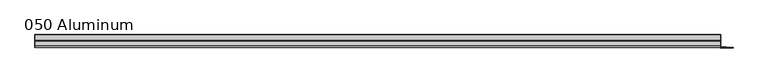
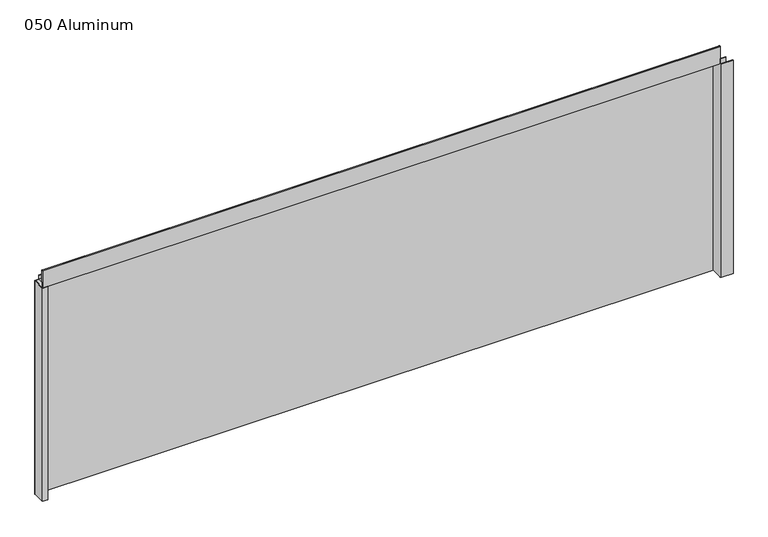
"""IFC4 building model written with IfcOpenShell, lengths in millimetres: plate geometry, 050 Aluminum."""

from ifc_helpers import new_model, si_unit, point, frame, frame_2d, origin, origin_with_axes, place, context, project, spatial, polyline, circle_curve, trimmed, segment, composite_curve, outline, extrude, source, transform, mapped, element, save


def plate_050_aluminum_8f66fb2e(model_context):
    return source(origin(), model_context, "Body", "SweptSolid", [
        extrude(outline(polyline([(-919.48, 2.5660257), (-906.5894994, 2.5660257), (-906.5894994, 1.2699999), (-920.7499999, 1.2699999), (-920.7499999, 34.7980001), (-919.48, 34.7980001), (-919.48, 2.5660257)])), origin_with_axes(), (0.0, 0.0, 1.0), 608.33),
        extrude(outline(composite_curve([segment(trimmed(circle_curve(frame_2d((3.7084742, 656.7932001)), 1.6509999), [point((2.0574743, 656.7932001))], [point((5.3594742, 656.7932001))], False, "CARTESIAN"), True, "CONTINUOUS"), segment(polyline([(5.3594742, 656.7932001), (5.3594742, 623.57), (19.2164743, 623.57), (19.2164743, 633.6538), (20.4864742, 633.6538), (20.4864742, 622.3), (4.0894742, 622.3), (4.0894742, 656.7932001)]), True, "CONTINUOUS"), segment(trimmed(circle_curve(frame_2d((3.7084742, 656.7932001)), 0.3809999), [point((4.0894742, 656.7932001))], [point((3.3274743, 656.7932001))], True, "CARTESIAN"), True, "CONTINUOUS"), segment(polyline([(3.3274743, 656.7932001), (3.3274743, 609.6000001), (34.7980002, 609.6000001), (34.7980002, 608.33), (2.0574743, 608.33), (2.0574743, 656.7932001)]), True, "CONTINUOUS")], self_intersect=False)), frame((-919.48, 0.0, 0.0), z_axis=(1.0, 0.0, 0.0), x_axis=(0.0, 1.0, 0.0)), (0.0, 0.0, 1.0), 1826.26),
        extrude(outline(polyline([(-920.75, 36.068), (908.05, 36.068), (908.05, 34.7980001), (-920.75, 34.7980001), (-920.75, 36.068)])), origin_with_axes(), (0.0, 0.0, 1.0), 609.6),
        extrude(outline(polyline([(908.05, 1.2699999), (940.5620856, 1.2699999), (940.5620856, 0.0), (906.7800001, 0.0), (906.7800001, 34.7980002), (908.05, 34.7980002), (908.05, 1.2699999)])), origin_with_axes(), (0.0, 0.0, 1.0), 608.33),
        extrude(outline(polyline([(906.78, 3.3274743), (922.5279999, 3.3274743), (922.5279999, 2.0574743), (906.78, 2.0574743), (906.78, 3.3274743)])), origin_with_axes(), (0.0, 0.0, 1.0), 622.3),
    ])


if __name__ == "__main__":
    model = new_model("IFC4")
    model_context = context("Model", 3, world=origin())
    ifc_project = project(units=[si_unit("LENGTHUNIT", "METRE", prefix="MILLI")], contexts=[model_context])
    site = spatial("IfcSite", under=ifc_project)
    building = spatial("IfcBuilding", under=site)
    placement = place(None, origin())
    plate_050_aluminum_shape = plate_050_aluminum_8f66fb2e(model_context)
    element("IfcPlate", 1, ObjectType="050 Aluminum", at=placement, inside=building, context=model_context, shape_type="MappedRepresentation", body=[
        mapped(plate_050_aluminum_shape, transform((0.0, 0.0, 0.0), x_axis=(1.0, 0.0, 0.0), y_axis=(0.0, 1.0, 0.0), z_axis=(0.0, 0.0, 1.0))),
    ])
    save(model, "model.ifc")
